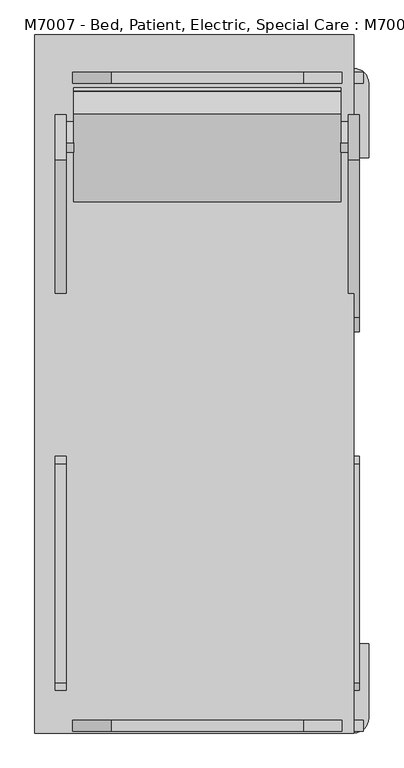
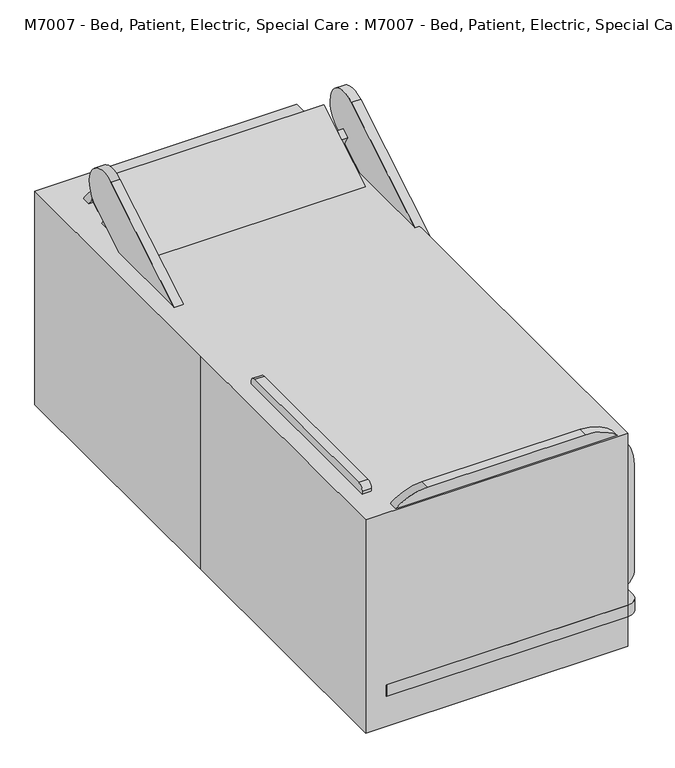
"""IFC4 building model written with IfcOpenShell, lengths in millimetres: proxy geometry, M7007 - Bed, Patient, Electric, Special Care : M7007 - Bed, Patient, Electric, Special Care."""

import ifcopenshell
import ifcopenshell.guid

model = None  # the IFC model being written
_history = None  # IfcOwnerHistory: only IFC2X3 demands one
_inside = {}  # id of a spatial element -> (the spatial element, [elements in it])
_under = {}  # id of a project, library or spatial element -> (it, [spatial elements below it])
_declared = {}  # id of a project -> (the project, [libraries it declares])
_typed = {}  # id of a type object -> (the type object, [elements of that type])
_made_of = {}  # id of a material, layer set ... -> (it, [elements and type objects made of it])


def new_model(schema):
    """Start an empty IFC model of exactly this schema.

    Asked for "IFC4X3", IfcOpenShell would pick the latest addendum, in which some entities
    have other attributes; the version numbers below select the first issue.
    IFC2X3 requires an IfcOwnerHistory on every rooted entity: one is made here for all.
    """
    global model, _history
    if schema == "IFC4X3":
        model = ifcopenshell.file(schema_version=(4, 3, 0, 0))
    else:
        model = ifcopenshell.file(schema=schema)
    _inside.clear()
    _under.clear()
    _declared.clear()
    _typed.clear()
    _made_of.clear()
    _history = None
    if model.schema == "IFC2X3":
        org = make("IfcOrganization", Name="unknown")
        user = make(
            "IfcPersonAndOrganization",
            ThePerson=make("IfcPerson", FamilyName="unknown"),
            TheOrganization=org,
        )
        app = make(
            "IfcApplication",
            ApplicationDeveloper=org,
            Version="unknown",
            ApplicationFullName="unknown",
            ApplicationIdentifier="unknown",
        )
        _history = make(
            "IfcOwnerHistory",
            OwningUser=user,
            OwningApplication=app,
            ChangeAction="ADDED",
            CreationDate=0,
        )
    return model


def make(cls, **values):
    """One entity of the class cls with the attributes given. An attribute that is None is left unset."""
    return model.create_entity(
        cls, **{name: value for name, value in values.items() if value is not None}
    )


def rooted(cls, **values):
    """An entity with a GlobalId (a new one), such as an element, a storey or a relation."""
    return make(cls, GlobalId=ifcopenshell.guid.new(), OwnerHistory=_history, **values)


def si_unit(unit_type, name, prefix=None):
    """IfcSIUnit, for example si_unit("LENGTHUNIT", "METRE", prefix="MILLI")."""
    return make("IfcSIUnit", UnitType=unit_type, Prefix=prefix, Name=name)


def assignment(units):
    """IfcUnitAssignment: the units of a project."""
    return None if units is None else make("IfcUnitAssignment", Units=units)


def point(xyz):
    """IfcCartesianPoint."""
    return None if xyz is None else make("IfcCartesianPoint", Coordinates=xyz)


def direction(xyz):
    """IfcDirection."""
    return None if xyz is None else make("IfcDirection", DirectionRatios=xyz)


def frame(location, z_axis=None, x_axis=None):
    """IfcAxis2Placement3D, a coordinate frame: its origin and axes. An axis left out is left unset."""
    return make(
        "IfcAxis2Placement3D",
        Location=point(location),
        Axis=direction(z_axis),
        RefDirection=direction(x_axis),
    )


def frame_2d(location, x_axis=None):
    """IfcAxis2Placement2D, a coordinate frame in the plane: its origin and x axis."""
    return make(
        "IfcAxis2Placement2D", Location=point(location), RefDirection=direction(x_axis)
    )


def origin():
    """The frame at (0, 0, 0) with its axes left unset."""
    return frame((0.0, 0.0, 0.0))


def origin_with_axes():
    """The frame at (0, 0, 0) with the z axis (0, 0, 1) and the x axis (1, 0, 0) written out."""
    return frame((0.0, 0.0, 0.0), z_axis=(0.0, 0.0, 1.0), x_axis=(1.0, 0.0, 0.0))


def place(relative_to, where):
    """IfcLocalPlacement: puts the frame where relative to a parent placement (None: the world)."""
    return make(
        "IfcLocalPlacement", PlacementRelTo=relative_to, RelativePlacement=where
    )


def context(
    kind, dimensions, precision=None, world=None, true_north=None, identifier=None
):
    """IfcGeometricRepresentationContext, for example the 3D "Model" context."""
    return make(
        "IfcGeometricRepresentationContext",
        ContextIdentifier=identifier,
        ContextType=kind,
        CoordinateSpaceDimension=dimensions,
        Precision=precision,
        WorldCoordinateSystem=world,
        TrueNorth=true_north,
    )


def project(units=None, contexts=None):
    """IfcProject with its units and contexts."""
    return rooted(
        "IfcProject",
        Name="project",
        RepresentationContexts=contexts,
        UnitsInContext=assignment(units),
    )


def spatial(cls, under=None, at=None, **own):
    """A site, building, storey or space (cls), placed at a placement, below another one or the project."""
    s = rooted(cls, ObjectPlacement=at, **own)
    if under is not None:
        _under.setdefault(under.id(), (under, []))[1].append(s)
    return s


def polyline(points):
    """IfcPolyline through the points."""
    return make("IfcPolyline", Points=[point(p) for p in points])


def circle_curve(where, radius):
    """IfcCircle in the frame where."""
    return make("IfcCircle", Position=where, Radius=radius)


def trimmed(basis, trim1, trim2, sense, master):
    """IfcTrimmedCurve: the piece of a basis curve between two trims."""
    return make(
        "IfcTrimmedCurve",
        BasisCurve=basis,
        Trim1=trim1,
        Trim2=trim2,
        SenseAgreement=sense,
        MasterRepresentation=master,
    )


def segment(curve, same_sense, transition):
    """IfcCompositeCurveSegment."""
    return make(
        "IfcCompositeCurveSegment",
        Transition=transition,
        SameSense=same_sense,
        ParentCurve=curve,
    )


def composite_curve(segments, self_intersect=None):
    """IfcCompositeCurve: segments joined end to end."""
    return make("IfcCompositeCurve", Segments=segments, SelfIntersect=self_intersect)


def outline(outer, holes=None, kind="AREA"):
    """IfcArbitraryClosedProfileDef: a profile drawn as a closed curve; with holes, ...WithVoids."""
    if holes is None:
        return make("IfcArbitraryClosedProfileDef", ProfileType=kind, OuterCurve=outer)
    return make(
        "IfcArbitraryProfileDefWithVoids",
        ProfileType=kind,
        OuterCurve=outer,
        InnerCurves=holes,
    )


def extrude(swept, where, along, depth):
    """IfcExtrudedAreaSolid: the profile swept, set in the frame where, extruded along a direction by depth."""
    return make(
        "IfcExtrudedAreaSolid",
        SweptArea=swept,
        Position=where,
        ExtrudedDirection=direction(along),
        Depth=depth,
    )


def shape(context_of_items, identifier, shape_type, items):
    """IfcShapeRepresentation: the items that make up one representation, for example the "Body"."""
    return make(
        "IfcShapeRepresentation",
        ContextOfItems=context_of_items,
        RepresentationIdentifier=identifier,
        RepresentationType=shape_type,
        Items=items,
    )


def source(mapping_origin, context_of_items, identifier, shape_type, items):
    """IfcRepresentationMap: a shape defined once, which mapped items show again and again."""
    return make(
        "IfcRepresentationMap",
        MappingOrigin=mapping_origin,
        MappedRepresentation=shape(context_of_items, identifier, shape_type, items),
    )


def transform(
    local_origin,
    x_axis=None,
    y_axis=None,
    z_axis=None,
    scale=None,
    scale2=None,
    scale3=None,
    uniform=True,
):
    """IfcCartesianTransformationOperator3D, or its non-uniform kind. x_axis, y_axis, z_axis: its Axis1, 2, 3."""
    if uniform:
        return make(
            "IfcCartesianTransformationOperator3D",
            Axis1=direction(x_axis),
            Axis2=direction(y_axis),
            LocalOrigin=point(local_origin),
            Scale=scale,
            Axis3=direction(z_axis),
        )
    return make(
        "IfcCartesianTransformationOperator3DnonUniform",
        Axis1=direction(x_axis),
        Axis2=direction(y_axis),
        LocalOrigin=point(local_origin),
        Scale=scale,
        Axis3=direction(z_axis),
        Scale2=scale2,
        Scale3=scale3,
    )


def mapped(mapping_source, mapping_target):
    """IfcMappedItem: shows the shape of a source again, moved by a transform."""
    return make(
        "IfcMappedItem", MappingSource=mapping_source, MappingTarget=mapping_target
    )


def made_of(thing, what):
    """Note that an element or type object is made of a material, layer set ...; save() writes the relation."""
    if what is not None:
        _made_of.setdefault(what.id(), (what, []))[1].append(thing)
    return thing


def element(
    cls,
    number,
    at=None,
    inside=None,
    cuts=None,
    type_object=None,
    material=None,
    context=None,
    identifier="Body",
    shape_type=None,
    held_by="IfcProductDefinitionShape",
    body=None,
    shapes=None,
    **own,
):
    """One element of the class cls, such as IfcWall. Its Tag is "e" and its number.

    at: its placement. inside: the storey or other place that contains it. cuts: it is an
    opening in that element (IfcRelVoidsElement). A single representation is given by context,
    identifier, shape_type and body (its items); several are given by shapes. held_by: the class
    of the entity that holds the representations. save() writes the other relations.
    """
    e = rooted(cls, Tag="e%d" % number, ObjectPlacement=at, **own)
    if body is not None:
        shapes = [shape(context, identifier, shape_type, body)]
    if shapes is not None:
        e.Representation = make(held_by, Representations=shapes)
    if inside is not None:
        _inside.setdefault(inside.id(), (inside, []))[1].append(e)
    if cuts is not None:
        rooted(
            "IfcRelVoidsElement", RelatingBuildingElement=cuts, RelatedOpeningElement=e
        )
    if type_object is not None:
        _typed.setdefault(type_object.id(), (type_object, []))[1].append(e)
    return made_of(e, material)


def aggregate(whole, parts):
    """IfcRelAggregates: a whole, such as a stair, and the parts it consists of."""
    return rooted("IfcRelAggregates", RelatingObject=whole, RelatedObjects=parts)


def save(model, path):
    """Write the relations noted so far, then the file.

    IfcRelAggregates (storeys below a building ...), IfcRelContainedInSpatialStructure (elements
    in a storey), IfcRelDefinesByType, IfcRelAssociatesMaterial and IfcRelDeclares: one each for
    every whole, place, type object, material and project.
    """
    for whole, parts in _under.values():
        aggregate(whole, parts)
    for where, things in _inside.values():
        rooted(
            "IfcRelContainedInSpatialStructure",
            RelatedElements=things,
            RelatingStructure=where,
        )
    for kind, things in _typed.values():
        rooted("IfcRelDefinesByType", RelatedObjects=things, RelatingType=kind)
    for what, things in _made_of.values():
        rooted("IfcRelAssociatesMaterial", RelatedObjects=things, RelatingMaterial=what)
    for by, libraries in _declared.values():
        rooted("IfcRelDeclares", RelatingContext=by, RelatedDefinitions=libraries)
    model.write(path)


def m7007_bed_patient_electric_special_care_m7007_bed_patient_e65fd407(model_context):
    return source(origin(), model_context, "Body", "SweptSolid", [
        extrude(outline(polyline([(0.0, -38.1), (0.0, 0.0), (25.4, 0.0), (25.4, -38.1), (0.0, -38.1)])), frame((501.65, 512.7423906, 664.2653407), z_axis=(0.0, -0.499999999999999, 0.8660254037844393), x_axis=(1.0, 0.0, 0.0)), (0.0, 0.0, 1.0), 177.8),
        extrude(outline(composite_curve([segment(polyline([(871.8063934, 1040.3170455), (332.9481698, 716.5383597)]), True, "CONTINUOUS"), segment(trimmed(circle_curve(frame_2d((280.6203014, 803.6265574)), 101.6), [point((332.9481698, 716.5383597))], [point((228.292433, 890.7147552))], False, "CARTESIAN"), True, "CONTINUOUS"), segment(polyline([(228.292433, 890.7147552), (767.1506566, 1214.493441)]), True, "CONTINUOUS"), segment(trimmed(circle_curve(frame_2d((819.478525, 1127.4052432)), 101.6), [point((767.1506566, 1214.493441))], [point((871.8063934, 1040.3170455))], False, "CARTESIAN"), True, "CONTINUOUS")], self_intersect=False)), frame((527.05, 0.0, 0.0), z_axis=(1.0, 0.0, 0.0), x_axis=(0.0, 1.0, 0.0)), (0.0, 0.0, 1.0), 38.1),
        extrude(outline(polyline([(0.0, -38.1), (0.0, 0.0), (25.4, 0.0), (25.4, -38.1), (0.0, -38.1)])), frame((501.65, 914.5832957, 908.7403407), z_axis=(0.0, -0.49999999999999634, 0.8660254037844408), x_axis=(1.0, 0.0, 0.0)), (0.0, 0.0, 1.0), 177.8),
        extrude(outline(composite_curve([segment(polyline([(871.8063934, 1040.3170455), (332.9481698, 716.5383597)]), True, "CONTINUOUS"), segment(trimmed(circle_curve(frame_2d((280.6203014, 803.6265574)), 101.6), [point((332.9481698, 716.5383597))], [point((228.292433, 890.7147552))], False, "CARTESIAN"), True, "CONTINUOUS"), segment(polyline([(228.292433, 890.7147552), (767.1506566, 1214.493441)]), True, "CONTINUOUS"), segment(trimmed(circle_curve(frame_2d((819.478525, 1127.4052432)), 101.6), [point((767.1506566, 1214.493441))], [point((871.8063934, 1040.3170455))], False, "CARTESIAN"), True, "CONTINUOUS")], self_intersect=False)), frame((-476.25, 0.0, 0.0), z_axis=(1.0, 0.0, 0.0), x_axis=(0.0, 1.0, 0.0)), (0.0, 0.0, 1.0), 38.1),
        extrude(outline(polyline([(0.0, -38.1), (0.0, 0.0), (25.4, 0.0), (25.4, -38.1), (0.0, -38.1)])), frame((-412.75, 479.7468227, 645.2153407), z_axis=(0.0, -0.499999999999999, 0.8660254037844393), x_axis=(-1.0, 0.0, 0.0)), (0.0, 0.0, 1.0), 177.8),
        extrude(outline(polyline([(0.0, -38.1), (0.0, 0.0), (25.4, 0.0), (25.4, -38.1), (0.0, -38.1)])), frame((-412.75, 881.5877278, 889.6903407), z_axis=(0.0, -0.49999999999999634, 0.8660254037844408), x_axis=(-1.0, 0.0, 0.0)), (0.0, 0.0, 1.0), 177.8),
        extrude(outline(composite_curve([segment(polyline([(-857.3563812, 519.7510043), (-857.3563812, 634.0510043), (-1022.4563812, 634.0510043)]), True, "CONTINUOUS"), segment(trimmed(circle_curve(frame_2d((-1022.4563812, 659.4510043)), 25.4), [point((-1022.4563812, 634.0510043))], [point((-1047.8563812, 659.4510043))], False, "CARTESIAN"), True, "CONTINUOUS"), segment(polyline([(-1047.8563812, 659.4510043), (-1047.8563812, 748.3510043)]), True, "CONTINUOUS"), segment(trimmed(circle_curve(frame_2d((-1022.4563812, 748.3510043)), 25.4), [point((-1047.8563812, 748.3510043))], [point((-1022.4563812, 773.7510043))], False, "CARTESIAN"), True, "CONTINUOUS"), segment(polyline([(-1022.4563812, 773.7510043), (-273.1563812, 773.7510043)]), True, "CONTINUOUS"), segment(trimmed(circle_curve(frame_2d((-273.1563812, 748.3510043)), 25.4), [point((-273.1563812, 773.7510043))], [point((-247.7563812, 748.3510043))], False, "CARTESIAN"), True, "CONTINUOUS"), segment(polyline([(-247.7563812, 748.3510043), (-247.7563812, 519.7510043), (-857.3563812, 519.7510043)]), True, "CONTINUOUS")], self_intersect=False)), frame((527.05, 0.0, 0.0), z_axis=(1.0, 0.0, 0.0), x_axis=(0.0, 1.0, 0.0)), (0.0, 0.0, 1.0), 38.1),
        extrude(outline(polyline([(501.65, -837.1721819), (501.65, -799.0721819), (527.05, -799.0721819), (527.05, -837.1721819), (501.65, -837.1721819)])), frame((0.0, 0.0, 595.9510043), z_axis=(0.0, 0.0, 1.0), x_axis=(1.0, 0.0, 0.0)), (0.0, 0.0, 1.0), 177.8),
        extrude(outline(polyline([(501.65, -329.1721819), (501.65, -291.0721819), (527.05, -291.0721819), (527.05, -329.1721819), (501.65, -329.1721819)])), frame((0.0, 0.0, 595.9510043), z_axis=(0.0, 0.0, 1.0), x_axis=(1.0, 0.0, 0.0)), (0.0, 0.0, 1.0), 177.8),
        extrude(outline(composite_curve([segment(polyline([(-857.3563812, 723.110535), (-857.3563812, 837.410535), (-1022.4563812, 837.410535)]), True, "CONTINUOUS"), segment(trimmed(circle_curve(frame_2d((-1022.4563812, 862.810535)), 25.4), [point((-1022.4563812, 837.410535))], [point((-1047.8563812, 862.810535))], False, "CARTESIAN"), True, "CONTINUOUS"), segment(polyline([(-1047.8563812, 862.810535), (-1047.8563812, 951.710535)]), True, "CONTINUOUS"), segment(trimmed(circle_curve(frame_2d((-1022.4563812, 951.710535)), 25.4), [point((-1047.8563812, 951.710535))], [point((-1022.4563812, 977.110535))], False, "CARTESIAN"), True, "CONTINUOUS"), segment(polyline([(-1022.4563812, 977.110535), (-273.1563812, 977.110535)]), True, "CONTINUOUS"), segment(trimmed(circle_curve(frame_2d((-273.1563812, 951.710535)), 25.4), [point((-273.1563812, 977.110535))], [point((-247.7563812, 951.710535))], False, "CARTESIAN"), True, "CONTINUOUS"), segment(polyline([(-247.7563812, 951.710535), (-247.7563812, 723.110535), (-857.3563812, 723.110535)]), True, "CONTINUOUS")], self_intersect=False)), frame((-476.25, 0.0, 0.0), z_axis=(1.0, 0.0, 0.0), x_axis=(0.0, 1.0, 0.0)), (0.0, 0.0, 1.0), 38.1),
        extrude(outline(polyline([(-412.75, -799.0721819), (-412.75, -837.1721819), (-438.15, -837.1721819), (-438.15, -799.0721819), (-412.75, -799.0721819)])), frame((0.0, 0.0, 595.9510043), z_axis=(0.0, 0.0, 1.0), x_axis=(1.0, 0.0, 0.0)), (0.0, 0.0, 1.0), 177.8),
        extrude(outline(polyline([(-412.75, -291.0721819), (-412.75, -329.1721819), (-438.15, -329.1721819), (-438.15, -291.0721819), (-412.75, -291.0721819)])), frame((0.0, 0.0, 595.9510043), z_axis=(0.0, 0.0, 1.0), x_axis=(1.0, 0.0, 0.0)), (0.0, 0.0, 1.0), 177.8),
        extrude(outline(polyline([(977.9, 383.6291673), (825.4956539, 383.6291673), (825.4956539, 850.8553975), (977.9, 942.4291673), (977.9, 383.6291673)])), frame((-107.95, 0.0, 0.0), z_axis=(1.0, 0.0, 0.0), x_axis=(0.0, 1.0, 0.0)), (0.0, 0.0, 1.0), 304.8),
        extrude(outline(polyline([(-23.330399, 621.3510043), (-1140.930399, 621.3510043), (-1140.930399, 773.7510043), (5.8953565, 773.7510043), (152.3074458, 715.4521116), (289.44733, 739.6335733), (922.2017014, 1119.8307566), (1000.693504, 989.19846), (343.7278675, 594.4536809), (136.1437733, 557.8510043), (-23.330399, 621.3510043)])), frame((-412.75, 0.0, 0.0), z_axis=(1.0, 0.0, 0.0), x_axis=(0.0, 1.0, 0.0)), (0.0, 0.0, 1.0), 914.4),
        extrude(outline(composite_curve([segment(polyline([(988.8271945, 374.65), (988.8271945, -285.75)]), True, "CONTINUOUS"), segment(trimmed(circle_curve(frame_2d((785.6271945, -285.75)), 203.2), [point((988.8271945, -285.75))], [point((785.6271945, -488.95))], False, "CARTESIAN"), True, "CONTINUOUS"), segment(polyline([(785.6271945, -488.95), (329.8584688, -488.95)]), True, "CONTINUOUS"), segment(trimmed(circle_curve(frame_2d((329.8584688, -412.75)), 76.2), [point((329.8584688, -488.95))], [point((253.6584688, -412.75))], False, "CARTESIAN"), True, "CONTINUOUS"), segment(polyline([(253.6584688, -412.75), (253.6584688, 501.65)]), True, "CONTINUOUS"), segment(trimmed(circle_curve(frame_2d((329.8584688, 501.65)), 76.2), [point((253.6584688, 501.65))], [point((329.8584688, 577.85))], False, "CARTESIAN"), True, "CONTINUOUS"), segment(polyline([(329.8584688, 577.85), (785.6271945, 577.85)]), True, "CONTINUOUS"), segment(trimmed(circle_curve(frame_2d((785.6271945, 374.65)), 203.2), [point((785.6271945, 577.85))], [point((988.8271945, 374.65))], False, "CARTESIAN"), True, "CONTINUOUS")], self_intersect=False)), frame((0.0, 1028.7, 0.0), z_axis=(0.0, 1.0, 0.0), x_axis=(0.0, 0.0, 1.0)), (0.0, 0.0, 1.0), 38.1),
        extrude(outline(polyline([(260.35, -330.2), (-171.45, -330.2), (-171.45, -76.2), (260.35, -76.2), (260.35, -330.2)])), frame((0.0, 0.0, 180.975), z_axis=(0.0, 0.0, 1.0), x_axis=(1.0, 0.0, 0.0)), (0.0, 0.0, 1.0), 414.9760043),
        extrude(outline(polyline([(-1140.930399, 595.9510043), (-1140.930399, 621.3510043), (-67.3244895, 621.3510043), (42.6607368, 557.8510043), (282.8107839, 557.8510043), (1000.693504, 989.19846), (1013.7754711, 967.4264105), (289.8548273, 532.4510043), (35.8548273, 532.4510043), (-74.130399, 595.9510043), (-1140.930399, 595.9510043)])), frame((-412.75, 0.0, 0.0), z_axis=(1.0, 0.0, 0.0), x_axis=(0.0, 1.0, 0.0)), (0.0, 0.0, 1.0), 914.4),
        extrude(outline(composite_curve([segment(trimmed(circle_curve(frame_2d((952.3599321, 51.5042315)), 51.5042315), [point((900.8557006, 51.5042315))], [point((1003.8641636, 51.5042315))], False, "CARTESIAN"), True, "CONTINUOUS"), segment(trimmed(circle_curve(frame_2d((952.3599321, 51.5042315)), 51.5042315), [point((1003.8641636, 51.5042315))], [point((900.8557006, 51.5042315))], False, "CARTESIAN"), True, "CONTINUOUS")], self_intersect=False)), frame((-438.15, 0.0, 0.0), z_axis=(1.0, 0.0, 0.0), x_axis=(0.0, 1.0, 0.0)), (0.0, 0.0, 1.0), 25.4),
        extrude(outline(composite_curve([segment(trimmed(circle_curve(frame_2d((952.3599321, 51.5042315)), 51.5042315), [point((900.8557006, 51.5042315))], [point((1003.8641636, 51.5042315))], False, "CARTESIAN"), True, "CONTINUOUS"), segment(trimmed(circle_curve(frame_2d((952.3599321, 51.5042315)), 51.5042315), [point((1003.8641636, 51.5042315))], [point((900.8557006, 51.5042315))], False, "CARTESIAN"), True, "CONTINUOUS")], self_intersect=False)), frame((488.95, 0.0, 0.0), z_axis=(1.0, 0.0, 0.0), x_axis=(0.0, 1.0, 0.0)), (0.0, 0.0, 1.0), 25.4),
        extrude(outline(composite_curve([segment(trimmed(circle_curve(frame_2d((-1066.6599321, 51.5042315)), 51.5042315), [point((-1015.1557006, 51.5042315))], [point((-1118.1641636, 51.5042315))], False, "CARTESIAN"), True, "CONTINUOUS"), segment(trimmed(circle_curve(frame_2d((-1066.6599321, 51.5042315)), 51.5042315), [point((-1118.1641636, 51.5042315))], [point((-1015.1557006, 51.5042315))], False, "CARTESIAN"), True, "CONTINUOUS")], self_intersect=False)), frame((488.95, 0.0, 0.0), z_axis=(1.0, 0.0, 0.0), x_axis=(0.0, 1.0, 0.0)), (0.0, 0.0, 1.0), 25.4),
        extrude(outline(composite_curve([segment(polyline([(964.9863453, 60.4258647), (959.99125, 48.3666377)]), True, "CONTINUOUS"), segment(trimmed(circle_curve(frame_2d((950.7378796, 50.8460708)), 9.5797939), [point((959.99125, 48.3666377))], [point((941.1580857, 50.8460708))], False, "CARTESIAN"), True, "CONTINUOUS"), segment(polyline([(941.1580857, 50.8460708), (941.1580857, 108.9715457), (950.8356274, 130.175), (981.1868486, 130.175)]), True, "CONTINUOUS"), segment(trimmed(circle_curve(frame_2d((981.1868486, 121.6954559)), 8.4795441), [point((981.1868486, 130.175))], [point((989.0209258, 118.4504749))], False, "CARTESIAN"), True, "CONTINUOUS"), segment(polyline([(989.0209258, 118.4504749), (964.9863453, 60.4258647)]), True, "CONTINUOUS")], self_intersect=False)), frame((482.6, 0.0, 0.0), z_axis=(1.0, 0.0, 0.0), x_axis=(0.0, 1.0, 0.0)), (0.0, 0.0, 1.0), 38.1),
        extrude(outline(composite_curve([segment(trimmed(circle_curve(frame_2d((952.3599321, 51.5042315)), 51.5042315), [point((900.8557006, 51.5042315))], [point((1003.8641636, 51.5042315))], False, "CARTESIAN"), True, "CONTINUOUS"), segment(trimmed(circle_curve(frame_2d((952.3599321, 51.5042315)), 51.5042315), [point((1003.8641636, 51.5042315))], [point((900.8557006, 51.5042315))], False, "CARTESIAN"), True, "CONTINUOUS")], self_intersect=False)), frame((488.95, 0.0, 0.0), z_axis=(1.0, 0.0, 0.0), x_axis=(0.0, 1.0, 0.0)), (0.0, 0.0, 1.0), 25.4),
        extrude(outline(composite_curve([segment(polyline([(964.9863453, 60.4258647), (959.99125, 48.3666377)]), True, "CONTINUOUS"), segment(trimmed(circle_curve(frame_2d((950.7378796, 50.8460708)), 9.5797939), [point((959.99125, 48.3666377))], [point((941.1580857, 50.8460708))], False, "CARTESIAN"), True, "CONTINUOUS"), segment(polyline([(941.1580857, 50.8460708), (941.1580857, 108.9715457), (950.8356274, 130.175), (981.1868486, 130.175)]), True, "CONTINUOUS"), segment(trimmed(circle_curve(frame_2d((981.1868486, 121.6954559)), 8.4795441), [point((981.1868486, 130.175))], [point((989.0209258, 118.4504749))], False, "CARTESIAN"), True, "CONTINUOUS"), segment(polyline([(989.0209258, 118.4504749), (964.9863453, 60.4258647)]), True, "CONTINUOUS")], self_intersect=False)), frame((-444.5, 0.0, 0.0), z_axis=(1.0, 0.0, 0.0), x_axis=(0.0, 1.0, 0.0)), (0.0, 0.0, 1.0), 38.1),
        extrude(outline(composite_curve([segment(trimmed(circle_curve(frame_2d((952.3599321, 51.5042315)), 51.5042315), [point((900.8557006, 51.5042315))], [point((1003.8641636, 51.5042315))], False, "CARTESIAN"), True, "CONTINUOUS"), segment(trimmed(circle_curve(frame_2d((952.3599321, 51.5042315)), 51.5042315), [point((1003.8641636, 51.5042315))], [point((900.8557006, 51.5042315))], False, "CARTESIAN"), True, "CONTINUOUS")], self_intersect=False)), frame((-438.15, 0.0, 0.0), z_axis=(1.0, 0.0, 0.0), x_axis=(0.0, 1.0, 0.0)), (0.0, 0.0, 1.0), 25.4),
        extrude(outline(composite_curve([segment(polyline([(-1079.2863453, 60.4258647), (-1103.3209258, 118.4504749)]), True, "CONTINUOUS"), segment(trimmed(circle_curve(frame_2d((-1095.4868486, 121.6954559)), 8.4795441), [point((-1103.3209258, 118.4504749))], [point((-1095.4868486, 130.175))], False, "CARTESIAN"), True, "CONTINUOUS"), segment(polyline([(-1095.4868486, 130.175), (-1065.1356274, 130.175), (-1055.4580857, 108.9715457), (-1055.4580857, 50.8460708)]), True, "CONTINUOUS"), segment(trimmed(circle_curve(frame_2d((-1065.0378796, 50.8460708)), 9.5797939), [point((-1055.4580857, 50.8460708))], [point((-1074.29125, 48.3666377))], False, "CARTESIAN"), True, "CONTINUOUS"), segment(polyline([(-1074.29125, 48.3666377), (-1079.2863453, 60.4258647)]), True, "CONTINUOUS")], self_intersect=False)), frame((482.6, 0.0, 0.0), z_axis=(1.0, 0.0, 0.0), x_axis=(0.0, 1.0, 0.0)), (0.0, 0.0, 1.0), 38.1),
        extrude(outline(composite_curve([segment(trimmed(circle_curve(frame_2d((-1066.6599321, 51.5042315)), 51.5042315), [point((-1015.1557006, 51.5042315))], [point((-1118.1641636, 51.5042315))], False, "CARTESIAN"), True, "CONTINUOUS"), segment(trimmed(circle_curve(frame_2d((-1066.6599321, 51.5042315)), 51.5042315), [point((-1118.1641636, 51.5042315))], [point((-1015.1557006, 51.5042315))], False, "CARTESIAN"), True, "CONTINUOUS")], self_intersect=False)), frame((488.95, 0.0, 0.0), z_axis=(1.0, 0.0, 0.0), x_axis=(0.0, 1.0, 0.0)), (0.0, 0.0, 1.0), 25.4),
        extrude(outline(composite_curve([segment(polyline([(-1079.2863453, 60.4258647), (-1103.3209258, 118.4504749)]), True, "CONTINUOUS"), segment(trimmed(circle_curve(frame_2d((-1095.4868486, 121.6954559)), 8.4795441), [point((-1103.3209258, 118.4504749))], [point((-1095.4868486, 130.175))], False, "CARTESIAN"), True, "CONTINUOUS"), segment(polyline([(-1095.4868486, 130.175), (-1065.1356274, 130.175), (-1055.4580857, 108.9715457), (-1055.4580857, 50.8460708)]), True, "CONTINUOUS"), segment(trimmed(circle_curve(frame_2d((-1065.0378796, 50.8460708)), 9.5797939), [point((-1055.4580857, 50.8460708))], [point((-1074.29125, 48.3666377))], False, "CARTESIAN"), True, "CONTINUOUS"), segment(polyline([(-1074.29125, 48.3666377), (-1079.2863453, 60.4258647)]), True, "CONTINUOUS")], self_intersect=False)), frame((-444.5, 0.0, 0.0), z_axis=(1.0, 0.0, 0.0), x_axis=(0.0, 1.0, 0.0)), (0.0, 0.0, 1.0), 38.1),
        extrude(outline(composite_curve([segment(trimmed(circle_curve(frame_2d((-1066.6599321, 51.5042315)), 51.5042315), [point((-1015.1557006, 51.5042315))], [point((-1118.1641636, 51.5042315))], False, "CARTESIAN"), True, "CONTINUOUS"), segment(trimmed(circle_curve(frame_2d((-1066.6599321, 51.5042315)), 51.5042315), [point((-1118.1641636, 51.5042315))], [point((-1015.1557006, 51.5042315))], False, "CARTESIAN"), True, "CONTINUOUS")], self_intersect=False)), frame((-438.15, 0.0, 0.0), z_axis=(1.0, 0.0, 0.0), x_axis=(0.0, 1.0, 0.0)), (0.0, 0.0, 1.0), 25.4),
        extrude(outline(polyline([(260.35, 774.7), (-171.45, 774.7), (-171.45, 1028.7), (260.35, 1028.7), (260.35, 774.7)])), frame((0.0, 0.0, 180.975), z_axis=(0.0, 0.0, 1.0), x_axis=(1.0, 0.0, 0.0)), (0.0, 0.0, 1.0), 202.6541673),
        extrude(outline(polyline([(260.35, -1143.0), (-171.45, -1143.0), (-171.45, -889.0), (260.35, -889.0), (260.35, -1143.0)])), frame((0.0, 0.0, 180.975), z_axis=(0.0, 0.0, 1.0), x_axis=(1.0, 0.0, 0.0)), (0.0, 0.0, 1.0), 414.9760043),
        extrude(outline(composite_curve([segment(polyline([(988.8271945, 374.65), (988.8271945, -285.75)]), True, "CONTINUOUS"), segment(trimmed(circle_curve(frame_2d((785.6271945, -285.75)), 203.2), [point((988.8271945, -285.75))], [point((785.6271945, -488.95))], False, "CARTESIAN"), True, "CONTINUOUS"), segment(polyline([(785.6271945, -488.95), (326.7009977, -488.95)]), True, "CONTINUOUS"), segment(trimmed(circle_curve(frame_2d((326.7009977, -412.75)), 76.2), [point((326.7009977, -488.95))], [point((250.5009977, -412.75))], False, "CARTESIAN"), True, "CONTINUOUS"), segment(polyline([(250.5009977, -412.75), (250.5009977, 501.65)]), True, "CONTINUOUS"), segment(trimmed(circle_curve(frame_2d((326.7009977, 501.65)), 76.2), [point((250.5009977, 501.65))], [point((326.7009977, 577.85))], False, "CARTESIAN"), True, "CONTINUOUS"), segment(polyline([(326.7009977, 577.85), (785.6271945, 577.85)]), True, "CONTINUOUS"), segment(trimmed(circle_curve(frame_2d((785.6271945, 374.65)), 203.2), [point((785.6271945, 577.85))], [point((988.8271945, 374.65))], False, "CARTESIAN"), True, "CONTINUOUS")], self_intersect=False)), frame((0.0, -1187.45, 0.0), z_axis=(0.0, 1.0, 0.0), x_axis=(0.0, 0.0, 1.0)), (0.0, 0.0, 1.0), 38.1),
        extrude(outline(composite_curve([segment(trimmed(circle_curve(frame_2d((546.1, 1028.7)), 50.8), [point((546.1, 1079.5))], [point((596.9, 1028.7))], False, "CARTESIAN"), True, "CONTINUOUS"), segment(polyline([(596.9, 1028.7), (596.9, 774.7), (444.5, 774.7), (444.5, -889.0), (596.9, -889.0), (596.9, -1143.0)]), True, "CONTINUOUS"), segment(trimmed(circle_curve(frame_2d((546.1, -1143.0)), 50.8), [point((596.9, -1143.0))], [point((546.1, -1193.8))], False, "CARTESIAN"), True, "CONTINUOUS"), segment(polyline([(546.1, -1193.8), (-457.2, -1193.8)]), True, "CONTINUOUS"), segment(trimmed(circle_curve(frame_2d((-457.2, -1143.0)), 50.8), [point((-457.2, -1193.8))], [point((-508.0, -1143.0))], False, "CARTESIAN"), True, "CONTINUOUS"), segment(polyline([(-508.0, -1143.0), (-508.0, -889.0), (-355.6, -889.0), (-355.6, 774.7), (-508.0, 774.7), (-508.0, 1028.7)]), True, "CONTINUOUS"), segment(trimmed(circle_curve(frame_2d((-457.2, 1028.7)), 50.8), [point((-508.0, 1028.7))], [point((-457.2, 1079.5))], False, "CARTESIAN"), True, "CONTINUOUS"), segment(polyline([(-457.2, 1079.5), (546.1, 1079.5)]), True, "CONTINUOUS")], self_intersect=False)), frame((0.0, 0.0, 130.175), z_axis=(0.0, 0.0, 1.0), x_axis=(1.0, 0.0, 0.0)), (0.0, 0.0, 1.0), 50.8),
        extrude(outline(polyline([(-546.1, 1193.8), (546.1, 1193.8), (546.1, -1193.8), (-546.1, -1193.8), (-546.1, 0.0), (-546.1, 1193.8)])), origin_with_axes(), (0.0, 0.0, 1.0), 939.8),
    ])


if __name__ == "__main__":
    model = new_model("IFC4")
    model_context = context("Model", 3, world=origin())
    ifc_project = project(units=[si_unit("LENGTHUNIT", "METRE", prefix="MILLI")], contexts=[model_context])
    site = spatial("IfcSite", under=ifc_project)
    building = spatial("IfcBuilding", under=site)
    placement = place(None, origin())
    m7007_bed_patient_electric_special_care_m7007_bed_patient_shape = m7007_bed_patient_electric_special_care_m7007_bed_patient_e65fd407(model_context)
    element("IfcBuildingElementProxy", 1, Name="M7007 - Bed, Patient, Electric, Special Care : M7007 - Bed, Patient, Electric, Special Care", ObjectType="M7007 - Bed, Patient, Electric, Special Care : M7007 - Bed, Patient, Electric, Special Care", at=placement, inside=building, context=model_context, shape_type="MappedRepresentation", body=[
        mapped(m7007_bed_patient_electric_special_care_m7007_bed_patient_shape, transform((0.0, 0.0, 0.0), x_axis=(1.0, 0.0, 0.0), y_axis=(0.0, 1.0, 0.0), z_axis=(0.0, 0.0, 1.0))),
    ])
    save(model, "model.ifc")
